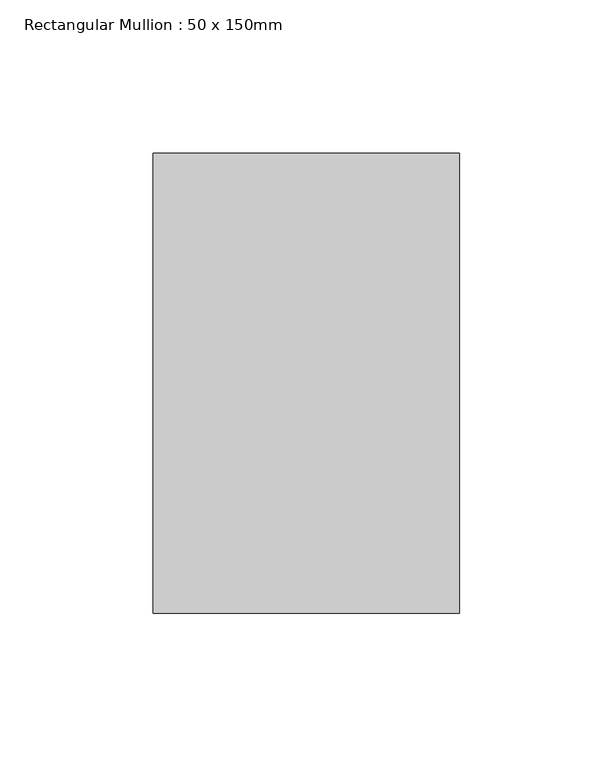
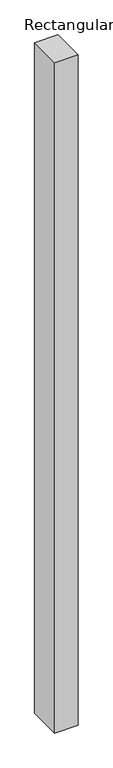
"""IFC4 building model written with IfcOpenShell, lengths in millimetres: member geometry, Rectangular Mullion : 50 x 150mm."""

from ifc_helpers import new_model, si_unit, frame, origin, place, context, project, spatial, polyline, outline, extrude, source, transform, mapped, element, save


def rectangular_mullion_50_x_150mm_b5acdda7(model_context):
    return source(origin(), model_context, "Body", "SweptSolid", [
        extrude(outline(polyline([(0.0, 75.0), (0.0, -75.0), (-100.0, -75.0), (-100.0, 75.0), (0.0, 75.0)])), frame((0.0, 0.0, -3060.157779), z_axis=(0.0, 0.0, 1.0), x_axis=(1.0, 0.0, 0.0)), (0.0, 0.0, 1.0), 3060.157779),
    ])


if __name__ == "__main__":
    model = new_model("IFC4")
    model_context = context("Model", 3, world=origin())
    ifc_project = project(units=[si_unit("LENGTHUNIT", "METRE", prefix="MILLI")], contexts=[model_context])
    site = spatial("IfcSite", under=ifc_project)
    building = spatial("IfcBuilding", under=site)
    placement = place(None, origin())
    rectangular_mullion_50_x_150mm_shape = rectangular_mullion_50_x_150mm_b5acdda7(model_context)
    element("IfcMember", 1, ObjectType="Rectangular Mullion : 50 x 150mm", at=placement, inside=building, context=model_context, shape_type="MappedRepresentation", body=[
        mapped(rectangular_mullion_50_x_150mm_shape, transform((0.0, 0.0, 0.0), x_axis=(1.0, 0.0, 0.0), y_axis=(0.0, 1.0, 0.0), z_axis=(0.0, 0.0, 1.0))),
    ])
    save(model, "model.ifc")
